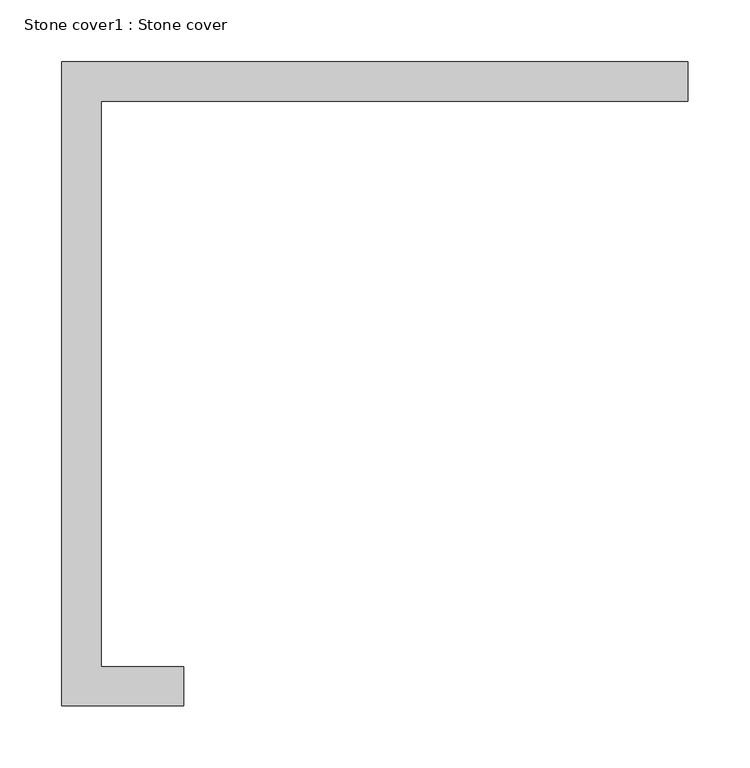
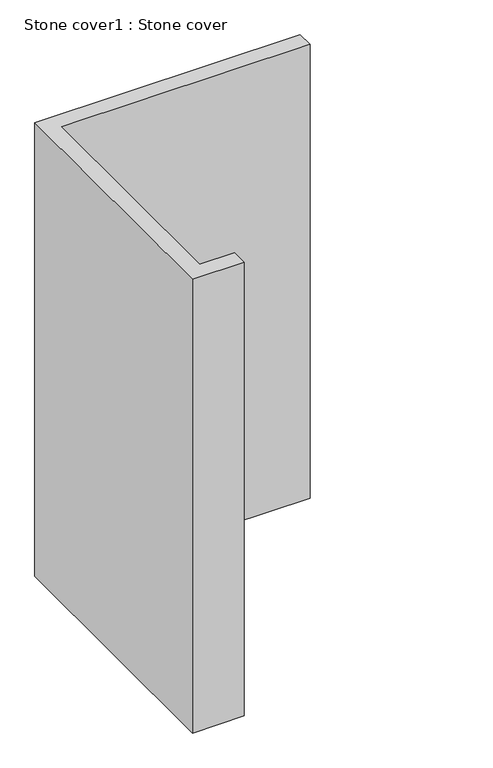
"""IFC4 building model written with IfcOpenShell, lengths in millimetres: proxy geometry, Stone cover1 : Stone cover."""

import ifcopenshell
import ifcopenshell.guid

model = None  # the IFC model being written
_history = None  # IfcOwnerHistory: only IFC2X3 demands one
_inside = {}  # id of a spatial element -> (the spatial element, [elements in it])
_under = {}  # id of a project, library or spatial element -> (it, [spatial elements below it])
_declared = {}  # id of a project -> (the project, [libraries it declares])
_typed = {}  # id of a type object -> (the type object, [elements of that type])
_made_of = {}  # id of a material, layer set ... -> (it, [elements and type objects made of it])


def new_model(schema):
    """Start an empty IFC model of exactly this schema.

    Asked for "IFC4X3", IfcOpenShell would pick the latest addendum, in which some entities
    have other attributes; the version numbers below select the first issue.
    IFC2X3 requires an IfcOwnerHistory on every rooted entity: one is made here for all.
    """
    global model, _history
    if schema == "IFC4X3":
        model = ifcopenshell.file(schema_version=(4, 3, 0, 0))
    else:
        model = ifcopenshell.file(schema=schema)
    _inside.clear()
    _under.clear()
    _declared.clear()
    _typed.clear()
    _made_of.clear()
    _history = None
    if model.schema == "IFC2X3":
        org = make("IfcOrganization", Name="unknown")
        user = make(
            "IfcPersonAndOrganization",
            ThePerson=make("IfcPerson", FamilyName="unknown"),
            TheOrganization=org,
        )
        app = make(
            "IfcApplication",
            ApplicationDeveloper=org,
            Version="unknown",
            ApplicationFullName="unknown",
            ApplicationIdentifier="unknown",
        )
        _history = make(
            "IfcOwnerHistory",
            OwningUser=user,
            OwningApplication=app,
            ChangeAction="ADDED",
            CreationDate=0,
        )
    return model


def make(cls, **values):
    """One entity of the class cls with the attributes given. An attribute that is None is left unset."""
    return model.create_entity(
        cls, **{name: value for name, value in values.items() if value is not None}
    )


def rooted(cls, **values):
    """An entity with a GlobalId (a new one), such as an element, a storey or a relation."""
    return make(cls, GlobalId=ifcopenshell.guid.new(), OwnerHistory=_history, **values)


def si_unit(unit_type, name, prefix=None):
    """IfcSIUnit, for example si_unit("LENGTHUNIT", "METRE", prefix="MILLI")."""
    return make("IfcSIUnit", UnitType=unit_type, Prefix=prefix, Name=name)


def assignment(units):
    """IfcUnitAssignment: the units of a project."""
    return None if units is None else make("IfcUnitAssignment", Units=units)


def point(xyz):
    """IfcCartesianPoint."""
    return None if xyz is None else make("IfcCartesianPoint", Coordinates=xyz)


def direction(xyz):
    """IfcDirection."""
    return None if xyz is None else make("IfcDirection", DirectionRatios=xyz)


def frame(location, z_axis=None, x_axis=None):
    """IfcAxis2Placement3D, a coordinate frame: its origin and axes. An axis left out is left unset."""
    return make(
        "IfcAxis2Placement3D",
        Location=point(location),
        Axis=direction(z_axis),
        RefDirection=direction(x_axis),
    )


def origin():
    """The frame at (0, 0, 0) with its axes left unset."""
    return frame((0.0, 0.0, 0.0))


def place(relative_to, where):
    """IfcLocalPlacement: puts the frame where relative to a parent placement (None: the world)."""
    return make(
        "IfcLocalPlacement", PlacementRelTo=relative_to, RelativePlacement=where
    )


def context(
    kind, dimensions, precision=None, world=None, true_north=None, identifier=None
):
    """IfcGeometricRepresentationContext, for example the 3D "Model" context."""
    return make(
        "IfcGeometricRepresentationContext",
        ContextIdentifier=identifier,
        ContextType=kind,
        CoordinateSpaceDimension=dimensions,
        Precision=precision,
        WorldCoordinateSystem=world,
        TrueNorth=true_north,
    )


def project(units=None, contexts=None):
    """IfcProject with its units and contexts."""
    return rooted(
        "IfcProject",
        Name="project",
        RepresentationContexts=contexts,
        UnitsInContext=assignment(units),
    )


def spatial(cls, under=None, at=None, **own):
    """A site, building, storey or space (cls), placed at a placement, below another one or the project."""
    s = rooted(cls, ObjectPlacement=at, **own)
    if under is not None:
        _under.setdefault(under.id(), (under, []))[1].append(s)
    return s


def polyline(points):
    """IfcPolyline through the points."""
    return make("IfcPolyline", Points=[point(p) for p in points])


def outline(outer, holes=None, kind="AREA"):
    """IfcArbitraryClosedProfileDef: a profile drawn as a closed curve; with holes, ...WithVoids."""
    if holes is None:
        return make("IfcArbitraryClosedProfileDef", ProfileType=kind, OuterCurve=outer)
    return make(
        "IfcArbitraryProfileDefWithVoids",
        ProfileType=kind,
        OuterCurve=outer,
        InnerCurves=holes,
    )


def extrude(swept, where, along, depth):
    """IfcExtrudedAreaSolid: the profile swept, set in the frame where, extruded along a direction by depth."""
    return make(
        "IfcExtrudedAreaSolid",
        SweptArea=swept,
        Position=where,
        ExtrudedDirection=direction(along),
        Depth=depth,
    )


def shape(context_of_items, identifier, shape_type, items):
    """IfcShapeRepresentation: the items that make up one representation, for example the "Body"."""
    return make(
        "IfcShapeRepresentation",
        ContextOfItems=context_of_items,
        RepresentationIdentifier=identifier,
        RepresentationType=shape_type,
        Items=items,
    )


def source(mapping_origin, context_of_items, identifier, shape_type, items):
    """IfcRepresentationMap: a shape defined once, which mapped items show again and again."""
    return make(
        "IfcRepresentationMap",
        MappingOrigin=mapping_origin,
        MappedRepresentation=shape(context_of_items, identifier, shape_type, items),
    )


def transform(
    local_origin,
    x_axis=None,
    y_axis=None,
    z_axis=None,
    scale=None,
    scale2=None,
    scale3=None,
    uniform=True,
):
    """IfcCartesianTransformationOperator3D, or its non-uniform kind. x_axis, y_axis, z_axis: its Axis1, 2, 3."""
    if uniform:
        return make(
            "IfcCartesianTransformationOperator3D",
            Axis1=direction(x_axis),
            Axis2=direction(y_axis),
            LocalOrigin=point(local_origin),
            Scale=scale,
            Axis3=direction(z_axis),
        )
    return make(
        "IfcCartesianTransformationOperator3DnonUniform",
        Axis1=direction(x_axis),
        Axis2=direction(y_axis),
        LocalOrigin=point(local_origin),
        Scale=scale,
        Axis3=direction(z_axis),
        Scale2=scale2,
        Scale3=scale3,
    )


def mapped(mapping_source, mapping_target):
    """IfcMappedItem: shows the shape of a source again, moved by a transform."""
    return make(
        "IfcMappedItem", MappingSource=mapping_source, MappingTarget=mapping_target
    )


def made_of(thing, what):
    """Note that an element or type object is made of a material, layer set ...; save() writes the relation."""
    if what is not None:
        _made_of.setdefault(what.id(), (what, []))[1].append(thing)
    return thing


def element(
    cls,
    number,
    at=None,
    inside=None,
    cuts=None,
    type_object=None,
    material=None,
    context=None,
    identifier="Body",
    shape_type=None,
    held_by="IfcProductDefinitionShape",
    body=None,
    shapes=None,
    **own,
):
    """One element of the class cls, such as IfcWall. Its Tag is "e" and its number.

    at: its placement. inside: the storey or other place that contains it. cuts: it is an
    opening in that element (IfcRelVoidsElement). A single representation is given by context,
    identifier, shape_type and body (its items); several are given by shapes. held_by: the class
    of the entity that holds the representations. save() writes the other relations.
    """
    e = rooted(cls, Tag="e%d" % number, ObjectPlacement=at, **own)
    if body is not None:
        shapes = [shape(context, identifier, shape_type, body)]
    if shapes is not None:
        e.Representation = make(held_by, Representations=shapes)
    if inside is not None:
        _inside.setdefault(inside.id(), (inside, []))[1].append(e)
    if cuts is not None:
        rooted(
            "IfcRelVoidsElement", RelatingBuildingElement=cuts, RelatedOpeningElement=e
        )
    if type_object is not None:
        _typed.setdefault(type_object.id(), (type_object, []))[1].append(e)
    return made_of(e, material)


def aggregate(whole, parts):
    """IfcRelAggregates: a whole, such as a stair, and the parts it consists of."""
    return rooted("IfcRelAggregates", RelatingObject=whole, RelatedObjects=parts)


def save(model, path):
    """Write the relations noted so far, then the file.

    IfcRelAggregates (storeys below a building ...), IfcRelContainedInSpatialStructure (elements
    in a storey), IfcRelDefinesByType, IfcRelAssociatesMaterial and IfcRelDeclares: one each for
    every whole, place, type object, material and project.
    """
    for whole, parts in _under.values():
        aggregate(whole, parts)
    for where, things in _inside.values():
        rooted(
            "IfcRelContainedInSpatialStructure",
            RelatedElements=things,
            RelatingStructure=where,
        )
    for kind, things in _typed.values():
        rooted("IfcRelDefinesByType", RelatedObjects=things, RelatingType=kind)
    for what, things in _made_of.values():
        rooted("IfcRelAssociatesMaterial", RelatedObjects=things, RelatingMaterial=what)
    for by, libraries in _declared.values():
        rooted("IfcRelDeclares", RelatingContext=by, RelatedDefinitions=libraries)
    model.write(path)


def stone_cover1_stone_cover_01fe65aa(model_context):
    return source(origin(), model_context, "Body", "SweptSolid", [
        extrude(outline(polyline([(37027.1459967, -21912.7029893), (37027.1459967, -21392.0029893), (37533.5422282, -21392.0029893), (37533.5422282, -21423.7529893), (37058.8959967, -21423.7529893), (37058.8959967, -21880.9529893), (37125.8496081, -21880.9529893), (37125.8496081, -21912.7029893), (37027.1459967, -21912.7029893)])), frame((0.0, 0.0, 1524.0), z_axis=(0.0, 0.0, 1.0), x_axis=(1.0, 0.0, 0.0)), (0.0, 0.0, 1.0), 914.4),
    ])


if __name__ == "__main__":
    model = new_model("IFC4")
    model_context = context("Model", 3, world=origin())
    ifc_project = project(units=[si_unit("LENGTHUNIT", "METRE", prefix="MILLI")], contexts=[model_context])
    site = spatial("IfcSite", under=ifc_project)
    building = spatial("IfcBuilding", under=site)
    placement = place(None, origin())
    stone_cover1_stone_cover_shape = stone_cover1_stone_cover_01fe65aa(model_context)
    element("IfcBuildingElementProxy", 1, Name="Stone cover1 : Stone cover", ObjectType="Stone cover1 : Stone cover", at=placement, inside=building, context=model_context, shape_type="MappedRepresentation", body=[
        mapped(stone_cover1_stone_cover_shape, transform((0.0, 0.0, 0.0), x_axis=(1.0, 0.0, 0.0), y_axis=(0.0, 1.0, 0.0), z_axis=(0.0, 0.0, 1.0))),
    ])
    save(model, "model.ifc")
